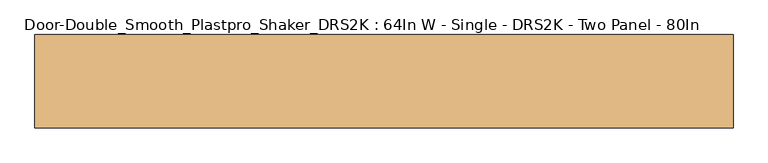
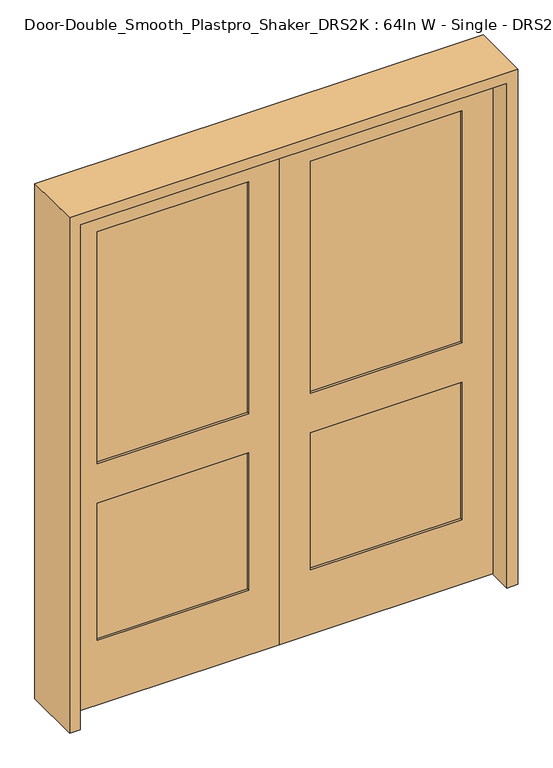
"""IFC4 building model written with IfcOpenShell, lengths in millimetres: door geometry, Door-Double_Smooth_Plastpro_Shaker_DRS2K : 64In W - Single - DRS2K - Two Panel - 80In."""

from ifc_helpers import new_model, si_unit, frame, origin, place, context, project, spatial, polyline, outline, extrude, faceted_brep, source, transform, mapped, element, save


def door_double_smooth_plastpro_shaker_drs2k_64in_w_single_drs2k_d1fc81c6(model_context):
    return source(origin(), model_context, "Body", "SolidModel", [
        faceted_brep([(0.0, 20.6375, 2032.0), (0.0, -20.6375, 2032.0), (812.8, -20.6375, 2032.0), (812.8, 20.6375, 2032.0), (0.0, 20.6375, 0.0), (812.8, 20.6375, 0.0), (812.8, -20.6375, 0.0), (0.0, -20.6375, 0.0), (695.325, 20.6375, 1905.0), (117.475, 20.6375, 1905.0), (117.475, 20.6375, 971.55), (695.325, 20.6375, 971.55), (695.325, 20.6375, 812.8), (117.475, 20.6375, 812.8), (117.475, 20.6375, 260.35), (695.325, 20.6375, 260.35), (695.325, -20.6375, 971.55), (117.475, -20.6375, 971.55), (117.475, -20.6375, 1905.0), (695.325, -20.6375, 1905.0), (695.325, -20.6375, 260.35), (117.475, -20.6375, 260.35), (117.475, -20.6375, 812.8), (695.325, -20.6375, 812.8), (695.325, -11.6572439, 971.55), (695.325, -11.6572439, 1905.0), (117.475, -11.6572439, 1905.0), (117.475, -11.6572439, 971.55), (695.325, -11.6572439, 260.35), (695.325, -11.6572439, 812.8), (117.475, -11.6572439, 812.8), (117.475, -11.6572439, 260.35), (695.325, 11.6572439, 971.55), (117.475, 11.6572439, 971.55), (117.475, 11.6572439, 1905.0), (695.325, 11.6572439, 1905.0), (695.325, 11.6572439, 260.35), (117.475, 11.6572439, 260.35), (117.475, 11.6572439, 812.8), (695.325, 11.6572439, 812.8)], [[[0, 1, 2, 3]], [[4, 5, 6, 7]], [[3, 5, 4, 0], [8, 9, 10, 11], [12, 13, 14, 15]], [[2, 6, 5, 3]], [[1, 7, 6, 2], [16, 17, 18, 19], [20, 21, 22, 23]], [[0, 4, 7, 1]], [[24, 25, 26, 27]], [[28, 29, 30, 31]], [[24, 16, 19, 25]], [[25, 19, 18, 26]], [[26, 18, 17, 27]], [[27, 17, 16, 24]], [[28, 20, 23, 29]], [[29, 23, 22, 30]], [[30, 22, 21, 31]], [[31, 21, 20, 28]], [[32, 33, 34, 35]], [[36, 37, 38, 39]], [[35, 8, 11, 32]], [[34, 9, 8, 35]], [[33, 10, 9, 34]], [[32, 11, 10, 33]], [[39, 12, 15, 36]], [[38, 13, 12, 39]], [[37, 14, 13, 38]], [[36, 15, 14, 37]]]),
        faceted_brep([(0.0, 20.6375, 2032.0), (-812.8, 20.6375, 2032.0), (-812.8, -20.6375, 2032.0), (0.0, -20.6375, 2032.0), (0.0, 20.6375, 0.0), (0.0, -20.6375, 0.0), (-812.8, -20.6375, 0.0), (-812.8, 20.6375, 0.0), (-695.325, 20.6375, 1905.0), (-695.325, 20.6375, 971.55), (-117.475, 20.6375, 971.55), (-117.475, 20.6375, 1905.0), (-695.325, 20.6375, 812.8), (-695.325, 20.6375, 260.35), (-117.475, 20.6375, 260.35), (-117.475, 20.6375, 812.8), (-695.325, -20.6375, 971.55), (-695.325, -20.6375, 1905.0), (-117.475, -20.6375, 1905.0), (-117.475, -20.6375, 971.55), (-695.325, -20.6375, 260.35), (-695.325, -20.6375, 812.8), (-117.475, -20.6375, 812.8), (-117.475, -20.6375, 260.35), (-695.325, -11.6572439, 971.55), (-117.475, -11.6572439, 971.55), (-117.475, -11.6572439, 1905.0), (-695.325, -11.6572439, 1905.0), (-695.325, -11.6572439, 260.35), (-117.475, -11.6572439, 260.35), (-117.475, -11.6572439, 812.8), (-695.325, -11.6572439, 812.8), (-695.325, 11.6572439, 971.55), (-695.325, 11.6572439, 1905.0), (-117.475, 11.6572439, 1905.0), (-117.475, 11.6572439, 971.55), (-695.325, 11.6572439, 260.35), (-695.325, 11.6572439, 812.8), (-117.475, 11.6572439, 812.8), (-117.475, 11.6572439, 260.35)], [[[0, 1, 2, 3]], [[4, 5, 6, 7]], [[1, 0, 4, 7], [8, 9, 10, 11], [12, 13, 14, 15]], [[2, 1, 7, 6]], [[3, 2, 6, 5], [16, 17, 18, 19], [20, 21, 22, 23]], [[0, 3, 5, 4]], [[24, 25, 26, 27]], [[28, 29, 30, 31]], [[24, 27, 17, 16]], [[27, 26, 18, 17]], [[26, 25, 19, 18]], [[25, 24, 16, 19]], [[28, 31, 21, 20]], [[31, 30, 22, 21]], [[30, 29, 23, 22]], [[29, 28, 20, 23]], [[32, 33, 34, 35]], [[36, 37, 38, 39]], [[33, 32, 9, 8]], [[34, 33, 8, 11]], [[35, 34, 11, 10]], [[32, 35, 10, 9]], [[37, 36, 13, 12]], [[38, 37, 12, 15]], [[39, 38, 15, 14]], [[36, 39, 14, 13]]]),
        extrude(outline(polyline([(2073.275, -854.075), (0.0, -854.075), (0.0, -812.8), (2032.0, -812.8), (2032.0, 812.8), (0.0, 812.8), (0.0, 854.075), (2073.275, 854.075), (2073.275, -854.075)])), frame((0.0, -114.3, 0.0), z_axis=(0.0, 1.0, 0.0), x_axis=(0.0, 0.0, 1.0)), (0.0, 0.0, 1.0), 228.6),
    ])


if __name__ == "__main__":
    model = new_model("IFC4")
    model_context = context("Model", 3, world=origin())
    ifc_project = project(units=[si_unit("LENGTHUNIT", "METRE", prefix="MILLI")], contexts=[model_context])
    site = spatial("IfcSite", under=ifc_project)
    building = spatial("IfcBuilding", under=site)
    placement = place(None, origin())
    door_double_smooth_plastpro_shaker_drs2k_64in_w_single_drs2k_shape = door_double_smooth_plastpro_shaker_drs2k_64in_w_single_drs2k_d1fc81c6(model_context)
    element("IfcDoor", 1, ObjectType="Door-Double_Smooth_Plastpro_Shaker_DRS2K : 64In W - Single - DRS2K - Two Panel - 80In", at=placement, inside=building, context=model_context, shape_type="MappedRepresentation", body=[
        mapped(door_double_smooth_plastpro_shaker_drs2k_64in_w_single_drs2k_shape, transform((0.0, 0.0, 0.0), x_axis=(1.0, 0.0, 0.0), y_axis=(0.0, 1.0, 0.0), z_axis=(0.0, 0.0, 1.0))),
    ])
    save(model, "model.ifc")
